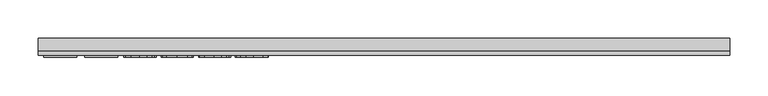
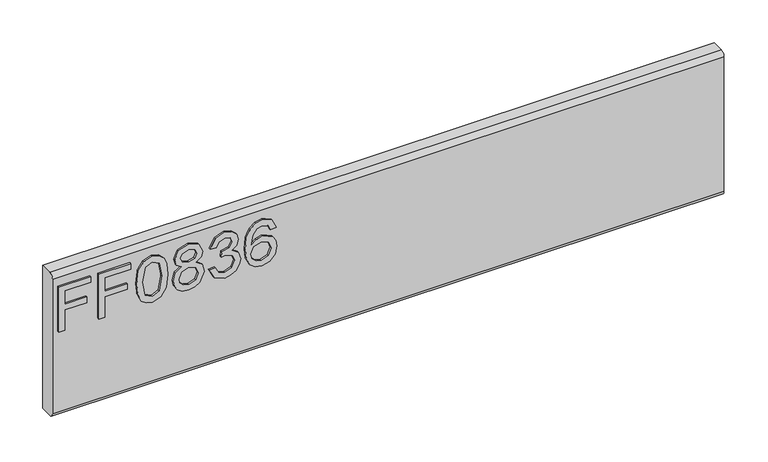
"""IFC4 building model written with IfcOpenShell, lengths in millimetres: furniture geometry."""

from ifc_helpers import new_model, si_unit, frame, origin, place, context, project, spatial, polyline, circle_curve, outline, extrude, source, transform, mapped, element, save
from ifc_brep_helpers import plane_surface, cylinder_surface, advanced_brep


def furniture_547dba8c(model_context):
    return source(origin(), model_context, "Body", "SolidModel", [
        extrude(outline(polyline([(882.65, -443.8729953), (882.65, -435.8992757), (911.5547336, -435.8992757), (911.5547336, -405.9978271), (919.5284532, -405.9978271), (919.5284532, -435.8992757), (938.4660373, -435.8992757), (938.4660373, -401.0142524), (946.4397569, -401.0142524), (946.4397569, -443.8729953), (882.65, -443.8729953)])), frame((0.0, -15.0812439, 0.0), z_axis=(0.0, 1.0, 0.0), x_axis=(0.0, 0.0, 1.0)), (0.0, 0.0, 1.0), 2.38125),
        extrude(outline(polyline([(882.65, -390.0503879), (882.65, -382.0766683), (911.5547336, -382.0766683), (911.5547336, -352.1752197), (919.5284532, -352.1752197), (919.5284532, -382.0766683), (938.4660373, -382.0766683), (938.4660373, -347.191645), (946.4397569, -347.191645), (946.4397569, -390.0503879), (882.65, -390.0503879)])), frame((0.0, -15.0812439, 0.0), z_axis=(0.0, 1.0, 0.0), x_axis=(0.0, 0.0, 1.0)), (0.0, 0.0, 1.0), 2.38125),
        extrude(outline(polyline([(914.0309473, -339.2179253), (898.5156775, -337.6294109), (887.7270168, -332.8638675), (883.171718, -326.5721044), (881.653285, -318.2869113), (885.1495742, -306.6144448), (895.7552443, -299.6763743), (914.0309473, -297.3558974), (929.0206058, -298.8042488), (938.4582505, -302.5419298), (944.3840324, -308.973856), (946.4397569, -318.2869113), (942.9668283, -329.9126568), (932.3845188, -336.8740878), (914.0309473, -339.2179253)]), holes=[polyline([(914.046521, -331.2442057), (934.1988514, -327.3819353), (938.4660373, -318.3803534), (933.6226256, -308.9427087), (914.046521, -305.329617), (894.2601718, -309.067298), (889.6270047, -318.2869113), (894.2445982, -327.5065247), (914.046521, -331.2442057)])]), frame((0.0, -15.0812439, 0.0), z_axis=(0.0, 1.0, 0.0), x_axis=(0.0, 0.0, 1.0)), (0.0, 0.0, 1.0), 2.38125),
        extrude(outline(polyline([(917.7842021, -278.760934), (911.9907964, -287.3576005), (901.4318474, -290.3788927), (893.6742125, -288.9383281), (887.3143145, -284.6166344), (883.0685424, -277.9433163), (881.653285, -269.4478787), (883.0627023, -260.9524411), (887.290954, -254.279123), (901.213816, -248.5168647), (911.5313731, -251.4213544), (917.7842021, -259.9012183), (922.713269, -252.8385584), (930.2275653, -250.5102946), (941.7209346, -255.7430481), (946.4397569, -269.5568944), (941.8299503, -283.2461513), (930.4455967, -288.3854628), (922.7366295, -286.0260516), (917.7842021, -278.760934)]), holes=[polyline([(901.7121735, -282.4051731), (910.1686769, -279.0334733), (913.5481635, -269.6503364), (910.1219559, -259.9946603), (901.4629947, -256.4905843), (892.9675571, -259.8856446), (889.6270047, -269.385584), (891.2155191, -276.3625887), (895.7085232, -281.0736242), (901.7121735, -282.4051731)]), polyline([(930.2119916, -280.4117432), (936.0365446, -277.5384008), (938.4660373, -269.4478787), (935.9820368, -261.380717), (929.8537972, -258.4840142), (923.9358022, -261.287275), (921.5218831, -269.3544367), (923.9513758, -277.5851219), (930.2119916, -280.4117432)])]), frame((0.0, -15.0812439, 0.0), z_axis=(0.0, 1.0, 0.0), x_axis=(0.0, 0.0, 1.0)), (0.0, 0.0, 1.0), 2.38125),
        extrude(outline(polyline([(899.5941542, -241.53986), (886.6524335, -235.2013759), (881.653285, -221.2162192), (883.1172101, -212.6935277), (887.5089854, -205.7827111), (894.0032063, -201.2040518), (901.7744681, -199.677832), (912.1465331, -202.7302716), (917.597318, -211.4203801), (922.8767925, -204.8794382), (930.2275653, -202.6679769), (938.2713664, -204.9962407), (944.2516562, -211.7240666), (946.4397569, -221.3408086), (942.0012607, -234.0177769), (929.4956028, -240.5431451), (928.4988878, -232.5694255), (935.9742499, -228.660434), (938.4660373, -221.0604825), (935.9976105, -213.553973), (929.7603552, -210.6416965), (922.7210558, -214.6597037), (920.5251682, -224.9850476), (912.5514486, -225.8727469), (913.4235742, -220.2817989), (910.16089, -211.2179223), (901.9146312, -207.6515516), (893.162228, -211.2490697), (889.6270047, -220.9358931), (892.1966604, -229.1665783), (900.5908691, -233.5661404), (899.5941542, -241.53986)])), frame((0.0, -15.0812439, 0.0), z_axis=(0.0, 1.0, 0.0), x_axis=(0.0, 0.0, 1.0)), (0.0, 0.0, 1.0), 2.38125),
        extrude(outline(polyline([(929.4956028, -151.8355143), (941.938966, -157.722362), (946.4397569, -170.321462), (944.6215308, -179.576116), (939.1668525, -186.7205376), (928.3081103, -191.9532911), (912.4268592, -193.6975423), (898.3015395, -192.1265482), (888.8171738, -187.413566), (883.4442572, -180.2087964), (881.653285, -171.1624402), (884.355317, -160.7125069), (892.1421526, -153.4707498), (903.1449512, -150.8387994), (911.3172351, -152.2365364), (917.8309231, -156.4297473), (923.515313, -169.9788412), (921.4362279, -178.6923102), (915.0743833, -185.7238227), (929.2853582, -183.4578535), (936.5349021, -178.0148555), (938.4660373, -170.8198194), (935.1488454, -162.8305261), (928.4988878, -159.8092339), (929.4956028, -151.8355143)]), holes=[polyline([(903.2695406, -185.7238227), (912.15432, -181.7603234), (915.5415934, -172.1124341), (912.15432, -162.3399555), (902.8801988, -158.812519), (893.1933754, -162.3866765), (889.6270047, -171.785387), (891.3478953, -178.9726363), (896.3626174, -183.8783427), (903.2695406, -185.7238227)])]), frame((0.0, -15.0812439, 0.0), z_axis=(0.0, 1.0, 0.0), x_axis=(0.0, 0.0, 1.0)), (0.0, 0.0, 1.0), 2.38125),
        advanced_brep(
        [(450.85, 9.5250061, 965.2), (450.85, -6.7309939, 965.2), (450.85, -12.6999939, 959.231), (450.85, -12.6999939, 767.969), (450.85, -6.7309939, 762.0), (450.85, 9.5250061, 762.0), (-450.85, 9.5250061, 965.2), (-450.85, 9.5250061, 762.0), (-450.85, -6.7309939, 762.0), (-450.85, -12.6999939, 767.969), (-450.85, -12.6999939, 959.2310121), (-450.85, -6.7309939, 965.2)],
        [
            (0, 1),
            (1, 2, circle_curve(frame((450.85, -6.7309939, 959.231), z_axis=(1.0, 0.0, 0.0), x_axis=(0.0, 1.0, 0.0)), 5.969)),
            (2, 3),
            (3, 4, circle_curve(frame((450.85, -6.7309939, 767.969), z_axis=(1.0, 0.0, 0.0), x_axis=(0.0, 1.0, 0.0)), 5.969)),
            (4, 5),
            (5, 0),
            (6, 7),
            (7, 8),
            (8, 9, circle_curve(frame((-450.85, -6.7309939, 767.969), z_axis=(-1.0, 0.0, 0.0), x_axis=(0.0, 1.0, 0.0)), 5.969)),
            (9, 10),
            (10, 11, circle_curve(frame((-450.85, -6.7309939, 959.231), z_axis=(-1.0, 0.0, 0.0), x_axis=(0.0, 1.0, 0.0)), 5.969)),
            (11, 6),
            (0, 6),
            (11, 1),
            (10, 2),
            (9, 3),
            (8, 4),
            (7, 5),
        ],
        [
            plane_surface(frame((450.85, -6.7309939, 965.2), z_axis=(1.0, 0.0, 0.0), x_axis=(0.0, -1.0, 0.0))),
            plane_surface(frame((-450.85, -6.7309939, 965.2), z_axis=(-1.0, 0.0, 0.0), x_axis=(0.0, 1.0, 0.0))),
            plane_surface(frame((450.85, 9.5250061, 965.2), z_axis=(0.0, 0.0, 1.0), x_axis=(-1.0, 0.0, 0.0))),
            cylinder_surface(frame((-450.85, -6.7309939, 959.231), z_axis=(1.0, 0.0, 0.0), x_axis=(0.0, 1.0, 0.0)), 5.969),
            plane_surface(frame((450.85, -12.6999939, 959.2310121), z_axis=(0.0, -1.0, 0.0), x_axis=(-1.0, 0.0, 0.0))),
            cylinder_surface(frame((-450.85, -6.7309939, 767.969), z_axis=(1.0, 0.0, 0.0), x_axis=(0.0, 1.0, 0.0)), 5.969),
            plane_surface(frame((450.85, -6.7309939, 762.0), z_axis=(0.0, 0.0, -1.0), x_axis=(-1.0, 0.0, 0.0))),
            plane_surface(frame((450.85, 9.5250061, 762.0), z_axis=(0.0, 1.0, 0.0), x_axis=(-1.0, 0.0, 0.0))),
        ],
        [
            (0, [[1, 2, 3, 4, 5, 6]]),
            (1, [[7, 8, 9, 10, 11, 12]]),
            (2, [[-1, 13, -12, 14]]),
            (3, [[-2, -14, -11, 15]]),
            (4, [[-3, -15, -10, 16]]),
            (5, [[-4, -16, -9, 17]]),
            (6, [[-5, -17, -8, 18]]),
            (7, [[-6, -18, -7, -13]]),
        ],
    ),
    ])


if __name__ == "__main__":
    model = new_model("IFC4")
    model_context = context("Model", 3, world=origin())
    ifc_project = project(units=[si_unit("LENGTHUNIT", "METRE", prefix="MILLI")], contexts=[model_context])
    site = spatial("IfcSite", under=ifc_project)
    building = spatial("IfcBuilding", under=site)
    placement = place(None, origin())
    furniture_shape = furniture_547dba8c(model_context)
    element("IfcFurniture", 1, at=placement, inside=building, context=model_context, shape_type="MappedRepresentation", body=[
        mapped(furniture_shape, transform((0.0, 0.0, 0.0), x_axis=(1.0, 0.0, 0.0), y_axis=(0.0, 1.0, 0.0), z_axis=(0.0, 0.0, 1.0))),
    ])
    save(model, "model.ifc")
